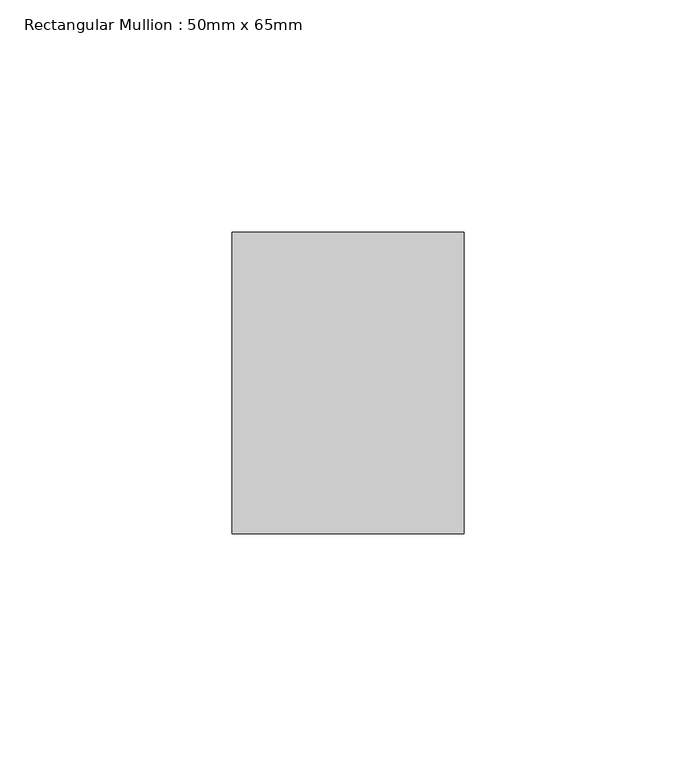
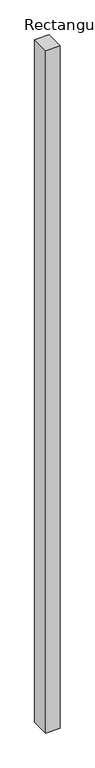
"""IFC4 building model written with IfcOpenShell, lengths in millimetres: member geometry, Rectangular Mullion : 50mm x 65mm."""

from ifc_helpers import new_model, si_unit, frame, origin, place, context, project, spatial, polyline, outline, extrude, source, transform, mapped, element, save


def rectangular_mullion_50mm_x_65mm_472c6878(model_context):
    return source(origin(), model_context, "Body", "SweptSolid", [
        extrude(outline(polyline([(25.0, 32.5), (25.0, -32.5), (-25.0, -32.5), (-25.0, 32.5), (25.0, 32.5)])), frame((0.0, 0.0, -2478.0265013), z_axis=(0.0, 0.0, 1.0), x_axis=(1.0, 0.0, 0.0)), (0.0, 0.0, 1.0), 2478.0265013),
    ])


if __name__ == "__main__":
    model = new_model("IFC4")
    model_context = context("Model", 3, world=origin())
    ifc_project = project(units=[si_unit("LENGTHUNIT", "METRE", prefix="MILLI")], contexts=[model_context])
    site = spatial("IfcSite", under=ifc_project)
    building = spatial("IfcBuilding", under=site)
    placement = place(None, origin())
    rectangular_mullion_50mm_x_65mm_shape = rectangular_mullion_50mm_x_65mm_472c6878(model_context)
    element("IfcMember", 1, ObjectType="Rectangular Mullion : 50mm x 65mm", at=placement, inside=building, context=model_context, shape_type="MappedRepresentation", body=[
        mapped(rectangular_mullion_50mm_x_65mm_shape, transform((0.0, 0.0, 0.0), x_axis=(1.0, 0.0, 0.0), y_axis=(0.0, 1.0, 0.0), z_axis=(0.0, 0.0, 1.0))),
    ])
    save(model, "model.ifc")
